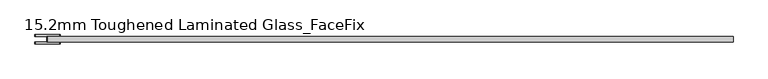
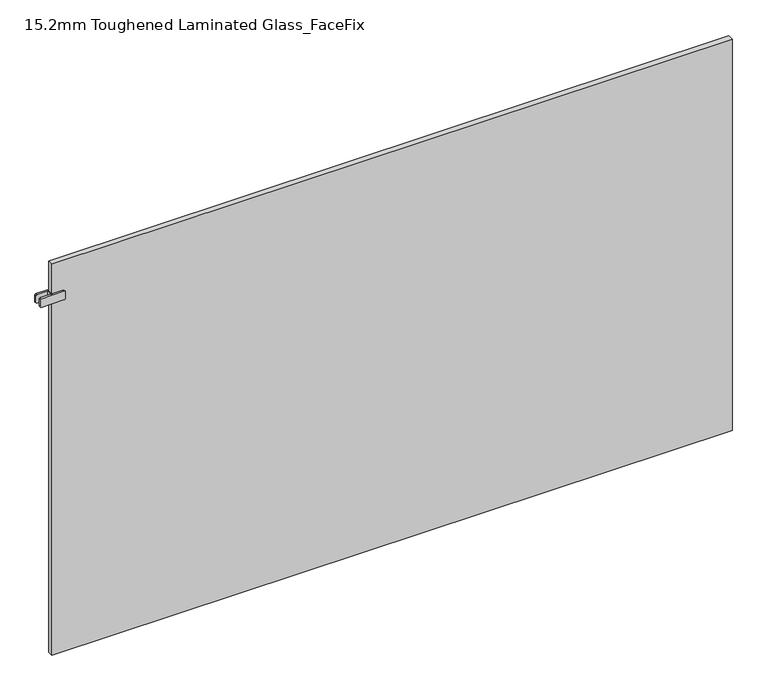
"""IFC4 building model written with IfcOpenShell, lengths in millimetres: plate geometry, 15.2mm Toughened Laminated Glass_FaceFix."""

from ifc_helpers import new_model, si_unit, point, frame, frame_2d, origin, origin_with_axes, place, context, project, spatial, polyline, circle_curve, trimmed, segment, composite_curve, outline, extrude, source, transform, mapped, element, save


def plate_15_2mm_toughened_laminated_glass_facefix_6d8de392(model_context):
    return source(origin(), model_context, "Body", "SweptSolid", [
        extrude(outline(polyline([(-947.5000001, -39.6), (-947.5000001, -24.4), (-942.5000001, -24.4), (-942.5000001, -39.6), (-947.5000001, -39.6)])), frame((0.0, 0.0, 1037.5), z_axis=(0.0, 0.0, 1.0), x_axis=(1.0, 0.0, 0.0)), (0.0, 0.0, 1.0), 25.0),
        extrude(outline(composite_curve([segment(trimmed(circle_curve(frame_2d((1040.5, -913.0000001)), 3.0), [point((1037.5, -913.0000001))], [point((1040.5, -910.0000001))], False, "CARTESIAN"), True, "CONTINUOUS"), segment(polyline([(1040.5, -910.0000001), (1059.5, -910.0000001)]), True, "CONTINUOUS"), segment(trimmed(circle_curve(frame_2d((1059.5, -913.0000001)), 3.0), [point((1059.5, -910.0000001))], [point((1062.5, -913.0000001))], False, "CARTESIAN"), True, "CONTINUOUS"), segment(polyline([(1062.5, -913.0000001), (1062.5, -977.0000001)]), True, "CONTINUOUS"), segment(trimmed(circle_curve(frame_2d((1059.5, -977.0000001)), 3.0), [point((1062.5, -977.0000001))], [point((1059.5, -980.0000001))], False, "CARTESIAN"), True, "CONTINUOUS"), segment(polyline([(1059.5, -980.0000001), (1040.5, -980.0000001)]), True, "CONTINUOUS"), segment(trimmed(circle_curve(frame_2d((1040.5, -977.0000001)), 3.0), [point((1040.5, -980.0000001))], [point((1037.5, -977.0000001))], False, "CARTESIAN"), True, "CONTINUOUS"), segment(polyline([(1037.5, -977.0000001), (1037.5, -913.0000001)]), True, "CONTINUOUS")], self_intersect=False)), frame((0.0, -24.4, 0.0), z_axis=(0.0, 1.0, 0.0), x_axis=(0.0, 0.0, 1.0)), (0.0, 0.0, 1.0), 5.0),
        extrude(outline(composite_curve([segment(trimmed(circle_curve(frame_2d((1040.5, -913.0000001)), 3.0), [point((1037.5, -913.0000001))], [point((1040.5, -910.0000001))], False, "CARTESIAN"), True, "CONTINUOUS"), segment(polyline([(1040.5, -910.0000001), (1059.5, -910.0000001)]), True, "CONTINUOUS"), segment(trimmed(circle_curve(frame_2d((1059.5, -913.0000001)), 3.0), [point((1059.5, -910.0000001))], [point((1062.5, -913.0000001))], False, "CARTESIAN"), True, "CONTINUOUS"), segment(polyline([(1062.5, -913.0000001), (1062.5, -977.0000001)]), True, "CONTINUOUS"), segment(trimmed(circle_curve(frame_2d((1059.5, -977.0000001)), 3.0), [point((1062.5, -977.0000001))], [point((1059.5, -980.0000001))], False, "CARTESIAN"), True, "CONTINUOUS"), segment(polyline([(1059.5, -980.0000001), (1040.5, -980.0000001)]), True, "CONTINUOUS"), segment(trimmed(circle_curve(frame_2d((1040.5, -977.0000001)), 3.0), [point((1040.5, -980.0000001))], [point((1037.5, -977.0000001))], False, "CARTESIAN"), True, "CONTINUOUS"), segment(polyline([(1037.5, -977.0000001), (1037.5, -913.0000001)]), True, "CONTINUOUS")], self_intersect=False)), frame((0.0, -44.6, 0.0), z_axis=(0.0, 1.0, 0.0), x_axis=(0.0, 0.0, 1.0)), (0.0, 0.0, 1.0), 5.0),
        extrude(outline(polyline([(945.0000001, -24.4), (945.0000001, -39.6), (-945.0000001, -39.6), (-945.0000001, -24.4), (945.0000001, -24.4)])), origin_with_axes(), (0.0, 0.0, 1.0), 1150.0),
    ])


if __name__ == "__main__":
    model = new_model("IFC4")
    model_context = context("Model", 3, world=origin())
    ifc_project = project(units=[si_unit("LENGTHUNIT", "METRE", prefix="MILLI")], contexts=[model_context])
    site = spatial("IfcSite", under=ifc_project)
    building = spatial("IfcBuilding", under=site)
    placement = place(None, origin())
    plate_15_2mm_toughened_laminated_glass_facefix_shape = plate_15_2mm_toughened_laminated_glass_facefix_6d8de392(model_context)
    element("IfcPlate", 1, ObjectType="15.2mm Toughened Laminated Glass_FaceFix", at=placement, inside=building, context=model_context, shape_type="MappedRepresentation", body=[
        mapped(plate_15_2mm_toughened_laminated_glass_facefix_shape, transform((0.0, 0.0, 0.0), x_axis=(1.0, 0.0, 0.0), y_axis=(0.0, 1.0, 0.0), z_axis=(0.0, 0.0, 1.0))),
    ])
    save(model, "model.ifc")
